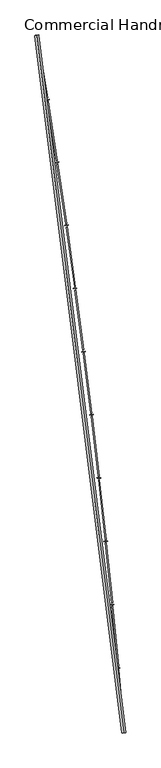
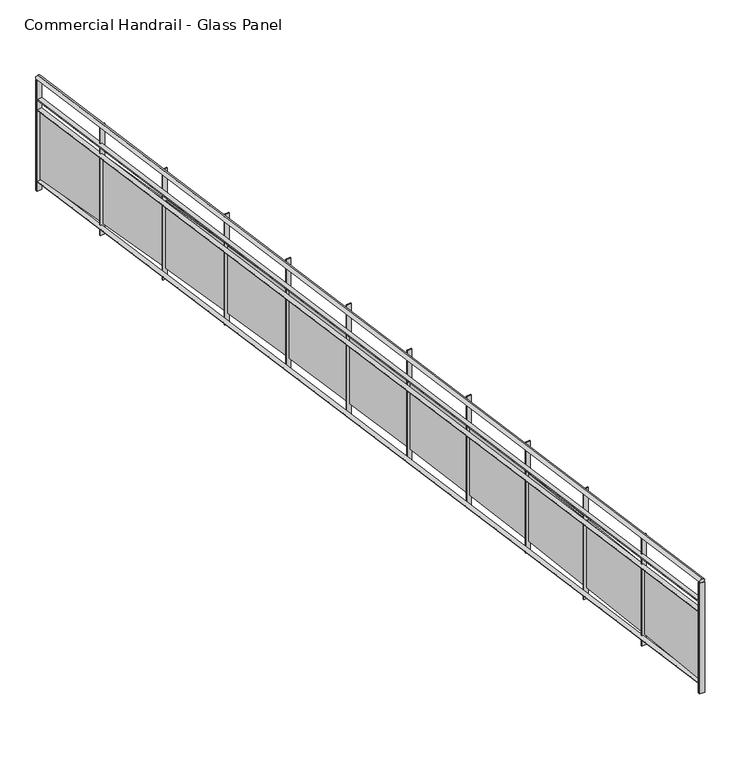
"""IFC4 building model written with IfcOpenShell, lengths in millimetres: railing geometry, Commercial Handrail - Glass Panel."""

import ifcopenshell
import ifcopenshell.guid

model = None  # the IFC model being written
_history = None  # IfcOwnerHistory: only IFC2X3 demands one
_inside = {}  # id of a spatial element -> (the spatial element, [elements in it])
_under = {}  # id of a project, library or spatial element -> (it, [spatial elements below it])
_declared = {}  # id of a project -> (the project, [libraries it declares])
_typed = {}  # id of a type object -> (the type object, [elements of that type])
_made_of = {}  # id of a material, layer set ... -> (it, [elements and type objects made of it])


def new_model(schema):
    """Start an empty IFC model of exactly this schema.

    Asked for "IFC4X3", IfcOpenShell would pick the latest addendum, in which some entities
    have other attributes; the version numbers below select the first issue.
    IFC2X3 requires an IfcOwnerHistory on every rooted entity: one is made here for all.
    """
    global model, _history
    if schema == "IFC4X3":
        model = ifcopenshell.file(schema_version=(4, 3, 0, 0))
    else:
        model = ifcopenshell.file(schema=schema)
    _inside.clear()
    _under.clear()
    _declared.clear()
    _typed.clear()
    _made_of.clear()
    _history = None
    if model.schema == "IFC2X3":
        org = make("IfcOrganization", Name="unknown")
        user = make(
            "IfcPersonAndOrganization",
            ThePerson=make("IfcPerson", FamilyName="unknown"),
            TheOrganization=org,
        )
        app = make(
            "IfcApplication",
            ApplicationDeveloper=org,
            Version="unknown",
            ApplicationFullName="unknown",
            ApplicationIdentifier="unknown",
        )
        _history = make(
            "IfcOwnerHistory",
            OwningUser=user,
            OwningApplication=app,
            ChangeAction="ADDED",
            CreationDate=0,
        )
    return model


def make(cls, **values):
    """One entity of the class cls with the attributes given. An attribute that is None is left unset."""
    return model.create_entity(
        cls, **{name: value for name, value in values.items() if value is not None}
    )


def rooted(cls, **values):
    """An entity with a GlobalId (a new one), such as an element, a storey or a relation."""
    return make(cls, GlobalId=ifcopenshell.guid.new(), OwnerHistory=_history, **values)


def si_unit(unit_type, name, prefix=None):
    """IfcSIUnit, for example si_unit("LENGTHUNIT", "METRE", prefix="MILLI")."""
    return make("IfcSIUnit", UnitType=unit_type, Prefix=prefix, Name=name)


def assignment(units):
    """IfcUnitAssignment: the units of a project."""
    return None if units is None else make("IfcUnitAssignment", Units=units)


def point(xyz):
    """IfcCartesianPoint."""
    return None if xyz is None else make("IfcCartesianPoint", Coordinates=xyz)


def direction(xyz):
    """IfcDirection."""
    return None if xyz is None else make("IfcDirection", DirectionRatios=xyz)


def frame(location, z_axis=None, x_axis=None):
    """IfcAxis2Placement3D, a coordinate frame: its origin and axes. An axis left out is left unset."""
    return make(
        "IfcAxis2Placement3D",
        Location=point(location),
        Axis=direction(z_axis),
        RefDirection=direction(x_axis),
    )


def origin():
    """The frame at (0, 0, 0) with its axes left unset."""
    return frame((0.0, 0.0, 0.0))


def place(relative_to, where):
    """IfcLocalPlacement: puts the frame where relative to a parent placement (None: the world)."""
    return make(
        "IfcLocalPlacement", PlacementRelTo=relative_to, RelativePlacement=where
    )


def context(
    kind, dimensions, precision=None, world=None, true_north=None, identifier=None
):
    """IfcGeometricRepresentationContext, for example the 3D "Model" context."""
    return make(
        "IfcGeometricRepresentationContext",
        ContextIdentifier=identifier,
        ContextType=kind,
        CoordinateSpaceDimension=dimensions,
        Precision=precision,
        WorldCoordinateSystem=world,
        TrueNorth=true_north,
    )


def project(units=None, contexts=None):
    """IfcProject with its units and contexts."""
    return rooted(
        "IfcProject",
        Name="project",
        RepresentationContexts=contexts,
        UnitsInContext=assignment(units),
    )


def spatial(cls, under=None, at=None, **own):
    """A site, building, storey or space (cls), placed at a placement, below another one or the project."""
    s = rooted(cls, ObjectPlacement=at, **own)
    if under is not None:
        _under.setdefault(under.id(), (under, []))[1].append(s)
    return s


def polyline(points):
    """IfcPolyline through the points."""
    return make("IfcPolyline", Points=[point(p) for p in points])


def circle_curve(where, radius):
    """IfcCircle in the frame where."""
    return make("IfcCircle", Position=where, Radius=radius)


def ellipse_curve(where, semi_axis1, semi_axis2):
    """IfcEllipse in the frame where."""
    return make(
        "IfcEllipse", Position=where, SemiAxis1=semi_axis1, SemiAxis2=semi_axis2
    )


def trimmed(basis, trim1, trim2, sense, master):
    """IfcTrimmedCurve: the piece of a basis curve between two trims."""
    return make(
        "IfcTrimmedCurve",
        BasisCurve=basis,
        Trim1=trim1,
        Trim2=trim2,
        SenseAgreement=sense,
        MasterRepresentation=master,
    )


def outline(outer, holes=None, kind="AREA"):
    """IfcArbitraryClosedProfileDef: a profile drawn as a closed curve; with holes, ...WithVoids."""
    if holes is None:
        return make("IfcArbitraryClosedProfileDef", ProfileType=kind, OuterCurve=outer)
    return make(
        "IfcArbitraryProfileDefWithVoids",
        ProfileType=kind,
        OuterCurve=outer,
        InnerCurves=holes,
    )


def extrude(swept, where, along, depth):
    """IfcExtrudedAreaSolid: the profile swept, set in the frame where, extruded along a direction by depth."""
    return make(
        "IfcExtrudedAreaSolid",
        SweptArea=swept,
        Position=where,
        ExtrudedDirection=direction(along),
        Depth=depth,
    )


def shape(context_of_items, identifier, shape_type, items):
    """IfcShapeRepresentation: the items that make up one representation, for example the "Body"."""
    return make(
        "IfcShapeRepresentation",
        ContextOfItems=context_of_items,
        RepresentationIdentifier=identifier,
        RepresentationType=shape_type,
        Items=items,
    )


def source(mapping_origin, context_of_items, identifier, shape_type, items):
    """IfcRepresentationMap: a shape defined once, which mapped items show again and again."""
    return make(
        "IfcRepresentationMap",
        MappingOrigin=mapping_origin,
        MappedRepresentation=shape(context_of_items, identifier, shape_type, items),
    )


def transform(
    local_origin,
    x_axis=None,
    y_axis=None,
    z_axis=None,
    scale=None,
    scale2=None,
    scale3=None,
    uniform=True,
):
    """IfcCartesianTransformationOperator3D, or its non-uniform kind. x_axis, y_axis, z_axis: its Axis1, 2, 3."""
    if uniform:
        return make(
            "IfcCartesianTransformationOperator3D",
            Axis1=direction(x_axis),
            Axis2=direction(y_axis),
            LocalOrigin=point(local_origin),
            Scale=scale,
            Axis3=direction(z_axis),
        )
    return make(
        "IfcCartesianTransformationOperator3DnonUniform",
        Axis1=direction(x_axis),
        Axis2=direction(y_axis),
        LocalOrigin=point(local_origin),
        Scale=scale,
        Axis3=direction(z_axis),
        Scale2=scale2,
        Scale3=scale3,
    )


def mapped(mapping_source, mapping_target):
    """IfcMappedItem: shows the shape of a source again, moved by a transform."""
    return make(
        "IfcMappedItem", MappingSource=mapping_source, MappingTarget=mapping_target
    )


def made_of(thing, what):
    """Note that an element or type object is made of a material, layer set ...; save() writes the relation."""
    if what is not None:
        _made_of.setdefault(what.id(), (what, []))[1].append(thing)
    return thing


def element(
    cls,
    number,
    at=None,
    inside=None,
    cuts=None,
    type_object=None,
    material=None,
    context=None,
    identifier="Body",
    shape_type=None,
    held_by="IfcProductDefinitionShape",
    body=None,
    shapes=None,
    **own,
):
    """One element of the class cls, such as IfcWall. Its Tag is "e" and its number.

    at: its placement. inside: the storey or other place that contains it. cuts: it is an
    opening in that element (IfcRelVoidsElement). A single representation is given by context,
    identifier, shape_type and body (its items); several are given by shapes. held_by: the class
    of the entity that holds the representations. save() writes the other relations.
    """
    e = rooted(cls, Tag="e%d" % number, ObjectPlacement=at, **own)
    if body is not None:
        shapes = [shape(context, identifier, shape_type, body)]
    if shapes is not None:
        e.Representation = make(held_by, Representations=shapes)
    if inside is not None:
        _inside.setdefault(inside.id(), (inside, []))[1].append(e)
    if cuts is not None:
        rooted(
            "IfcRelVoidsElement", RelatingBuildingElement=cuts, RelatedOpeningElement=e
        )
    if type_object is not None:
        _typed.setdefault(type_object.id(), (type_object, []))[1].append(e)
    return made_of(e, material)


def aggregate(whole, parts):
    """IfcRelAggregates: a whole, such as a stair, and the parts it consists of."""
    return rooted("IfcRelAggregates", RelatingObject=whole, RelatedObjects=parts)


def save(model, path):
    """Write the relations noted so far, then the file.

    IfcRelAggregates (storeys below a building ...), IfcRelContainedInSpatialStructure (elements
    in a storey), IfcRelDefinesByType, IfcRelAssociatesMaterial and IfcRelDeclares: one each for
    every whole, place, type object, material and project.
    """
    for whole, parts in _under.values():
        aggregate(whole, parts)
    for where, things in _inside.values():
        rooted(
            "IfcRelContainedInSpatialStructure",
            RelatedElements=things,
            RelatingStructure=where,
        )
    for kind, things in _typed.values():
        rooted("IfcRelDefinesByType", RelatedObjects=things, RelatingType=kind)
    for what, things in _made_of.values():
        rooted("IfcRelAssociatesMaterial", RelatedObjects=things, RelatingMaterial=what)
    for by, libraries in _declared.values():
        rooted("IfcRelDeclares", RelatingContext=by, RelatedDefinitions=libraries)
    model.write(path)


def plane_surface(at):
    """IfcPlane: the flat surface through the origin of the frame at, square to its z axis."""
    return make("IfcPlane", Position=at)


def cylinder_surface(at, radius):
    """IfcCylindricalSurface: all points at the distance radius from the z axis of the frame at."""
    return make("IfcCylindricalSurface", Position=at, Radius=radius)


def revolved_surface(curve, axis_point, axis_direction):
    """IfcSurfaceOfRevolution: the curve turned about the line through axis_point along axis_direction."""
    return make(
        "IfcSurfaceOfRevolution",
        SweptCurve=make("IfcArbitraryOpenProfileDef", ProfileType="CURVE", Curve=curve),
        AxisPosition=make("IfcAxis1Placement", Location=point(axis_point), Axis=direction(axis_direction)),
    )


def advanced_brep(points, edges, surfaces, faces):
    """IfcAdvancedBrep: a solid bounded by faces that lie on surfaces and meet in shared edges.

    An edge is (start, end): straight between two places in points (the first is 0);
    or (start, end, curve); or (start, end, curve, False) where it runs against its curve.
    A face is (place in surfaces, loops), or (place, loops, False) where it looks against
    its surface's normal. A loop lists edges by number (the first is 1), with a minus sign
    where the edge is run from its end to its start. The first loop is the outer one.
    """
    corners = [point(p) for p in points]
    vertices = [make("IfcVertexPoint", VertexGeometry=c) for c in corners]
    made = []
    for start, end, *more in edges:
        made.append(
            make(
                "IfcEdgeCurve",
                EdgeStart=vertices[start],
                EdgeEnd=vertices[end],
                EdgeGeometry=more[0] if more else make("IfcPolyline", Points=[corners[start], corners[end]]),
                SameSense=more[1] if len(more) > 1 else True,
            )
        )
    hull = []
    for where, loops, *sense in faces:
        bounds = []
        for j, loop in enumerate(loops):
            ring = [make("IfcOrientedEdge", EdgeElement=made[abs(k) - 1], Orientation=k > 0) for k in loop]
            bounds.append(
                make(
                    "IfcFaceOuterBound" if j == 0 else "IfcFaceBound",
                    Bound=make("IfcEdgeLoop", EdgeList=ring),
                    Orientation=True,
                )
            )
        hull.append(make("IfcAdvancedFace", Bounds=bounds, FaceSurface=surfaces[where], SameSense=sense[0] if sense else True))
    return make("IfcAdvancedBrep", Outer=make("IfcClosedShell", CfsFaces=hull))


def commercial_handrail_glass_panel_8181c5f0(model_context):
    return source(origin(), model_context, "Body", "SolidModel", [
        advanced_brep(
        [(155415.1518736, -49813.1101198, 19682.5), (156507.3198577, -58575.9102119, 19682.5), (156507.3198577, -58575.9102119, 19717.5), (155415.1518736, -49813.1101198, 19717.5)],
        [
            (0, 1, circle_curve(frame((49774.785812, -67429.2570352, 19682.5), z_axis=(0.0, 0.0, -1.0), x_axis=(0.9965773914870409, 0.08266500333808188, 0.0)), 107099.0923108)),
            (1, 2, ellipse_curve(frame((156507.3198577, -58575.9102119, 19700.0), z_axis=(-0.08266500333808835, 0.9965773914870406, 0.0), x_axis=(0.9965773914870404, 0.08266500333808834, 0.0)), 25.0, 17.5)),
            (2, 3, circle_curve(frame((49774.785812, -67429.2570352, 19717.5), z_axis=(0.0, 0.0, 1.0), x_axis=(0.9965773914870409, 0.08266500333808188, 0.0)), 107099.0923108)),
            (3, 0, ellipse_curve(frame((155415.1518736, -49813.1101198, 19700.0), z_axis=(0.16448455850891983, -0.9863796581500077, 0.0), x_axis=(0.9863796581500075, 0.1644845585089198, 0.0)), 25.0, 17.5)),
            (2, 1, ellipse_curve(frame((156507.3198577, -58575.9102119, 19700.0), z_axis=(-0.08266500333808835, 0.9965773914870406, 0.0), x_axis=(0.9965773914870404, 0.08266500333808834, 0.0)), 25.0, 17.5)),
            (0, 3, ellipse_curve(frame((155415.1518736, -49813.1101198, 19700.0), z_axis=(0.16448455850891983, -0.9863796581500077, 0.0), x_axis=(0.9863796581500075, 0.1644845585089198, 0.0)), 25.0, 17.5)),
        ],
        [
            revolved_surface(trimmed(ellipse_curve(frame((156507.3198577, -58575.9102119, 19700.0), z_axis=(0.08266500333808188, -0.9965773914870409, 0.0), x_axis=(0.0, 0.0, -1.0)), 17.5, 25.0), [point((156507.3198577, -58575.9102119, 19717.5))], [point((156507.3198577, -58575.9102119, 19682.5))], True, "CARTESIAN"), (49774.785812, -67429.2570352, 19700.0), (0.0, 0.0, 1.0)),
            revolved_surface(trimmed(ellipse_curve(frame((156507.3198577, -58575.9102119, 19700.0), z_axis=(0.08266500333808188, -0.9965773914870409, 0.0), x_axis=(0.0, 0.0, -1.0)), 17.5, 25.0), [point((156507.3198577, -58575.9102119, 19682.5))], [point((156507.3198577, -58575.9102119, 19717.5))], True, "CARTESIAN"), (49774.785812, -67429.2570352, 19700.0), (0.0, 0.0, 1.0)),
            plane_surface(frame((156507.3198577, -58575.9102119, 19700.0), z_axis=(0.08266500333808188, -0.9965773914870409, 0.0), x_axis=(0.9965773914870409, 0.08266500333808188, 0.0))),
            plane_surface(frame((155415.1518736, -49813.1101198, 19700.0), z_axis=(-0.16448455850891983, 0.9863796581500076, 0.0), x_axis=(0.9863796581500076, 0.16448455850891983, 0.0))),
        ],
        [
            (0, [[1, 2, 3, 4]]),
            (1, [[-3, 5, -1, 6]]),
            (2, [[-2, -5]]),
            (3, [[-6, -4]]),
        ],
    ),
        advanced_brep(
        [(155392.9583313, -49816.8110224, 19500.0), (156484.8968663, -58577.7701744, 19500.0), (156529.742849, -58574.0502493, 19500.0), (155437.3454159, -49809.4092172, 19500.0), (155392.9583313, -49816.8110224, 19494.0), (156484.8968663, -58577.7701744, 19494.0), (155437.3454159, -49809.4092172, 19494.0), (156529.742849, -58574.0502493, 19494.0)],
        [
            (0, 1, circle_curve(frame((49774.785812, -67429.2570352, 19500.0), z_axis=(0.0, 0.0, -1.0), x_axis=(0.9965773914870409, 0.08266500333808188, 0.0)), 107076.5923108)),
            (1, 2),
            (2, 3, circle_curve(frame((49774.785812, -67429.2570352, 19500.0), z_axis=(0.0, 0.0, 1.0), x_axis=(0.9965773914870409, 0.08266500333808188, 0.0)), 107121.5923108)),
            (3, 0),
            (4, 5, circle_curve(frame((49774.785812, -67429.2570352, 19494.0), z_axis=(0.0, 0.0, -1.0), x_axis=(0.9965773914870409, 0.08266500333808188, 0.0)), 107076.5923108)),
            (5, 1),
            (0, 4),
            (6, 7, circle_curve(frame((49774.785812, -67429.2570352, 19494.0), z_axis=(0.0, 0.0, -1.0), x_axis=(0.9965773914870409, 0.08266500333808188, 0.0)), 107121.5923108)),
            (7, 5),
            (4, 6),
            (2, 7),
            (6, 3),
        ],
        [
            plane_surface(frame((49774.785812, -67429.2570352, 19500.0), z_axis=(0.0, 0.0, 1.0), x_axis=(0.9965773914870409, 0.08266500333808188, 0.0))),
            revolved_surface(polyline([(156484.89686641842, -58577.77017439729, 19500.0), (156484.89686641842, -58577.77017439729, 19494.0)]), (49774.785812, -67429.2570352, 19500.0), (0.0, 0.0, 1.0)),
            plane_surface(frame((49774.785812, -67429.2570352, 19494.0), z_axis=(0.0, 0.0, -1.0), x_axis=(0.9965773914870409, 0.08266500333808188, 0.0))),
            cylinder_surface(frame((49774.785812, -67429.2570352, 19500.0), z_axis=(0.0, 0.0, 1.0), x_axis=(0.9965773914870409, 0.08266500333808188, 0.0)), 107121.5923108),
            plane_surface(frame((156507.3198577, -58575.9102119, 19500.0), z_axis=(0.08266500333808188, -0.9965773914870409, 0.0), x_axis=(0.9965773914870409, 0.08266500333808188, 0.0))),
            plane_surface(frame((155415.1518736, -49813.1101198, 19500.0), z_axis=(-0.16448455850891983, 0.9863796581500076, 0.0), x_axis=(0.9863796581500076, 0.16448455850891983, 0.0))),
        ],
        [
            (0, [[1, 2, 3, 4]]),
            (1, [[5, 6, -1, 7]]),
            (2, [[8, 9, -5, 10]]),
            (3, [[-3, 11, -8, 12]]),
            (4, [[-2, -6, -9, -11]]),
            (5, [[-12, -10, -7, -4]]),
        ],
    ),
        advanced_brep(
        [(155392.9583313, -49816.8110224, 19400.0), (156484.8968663, -58577.7701744, 19400.0), (156529.742849, -58574.0502493, 19400.0), (155437.3454159, -49809.4092172, 19400.0), (155392.9583313, -49816.8110224, 19394.0), (156484.8968663, -58577.7701744, 19394.0), (155437.3454159, -49809.4092172, 19394.0), (156529.742849, -58574.0502493, 19394.0)],
        [
            (0, 1, circle_curve(frame((49774.785812, -67429.2570352, 19400.0), z_axis=(0.0, 0.0, -1.0), x_axis=(0.9965773914870409, 0.08266500333808188, 0.0)), 107076.5923108)),
            (1, 2),
            (2, 3, circle_curve(frame((49774.785812, -67429.2570352, 19400.0), z_axis=(0.0, 0.0, 1.0), x_axis=(0.9965773914870409, 0.08266500333808188, 0.0)), 107121.5923108)),
            (3, 0),
            (4, 5, circle_curve(frame((49774.785812, -67429.2570352, 19394.0), z_axis=(0.0, 0.0, -1.0), x_axis=(0.9965773914870409, 0.08266500333808188, 0.0)), 107076.5923108)),
            (5, 1),
            (0, 4),
            (6, 7, circle_curve(frame((49774.785812, -67429.2570352, 19394.0), z_axis=(0.0, 0.0, -1.0), x_axis=(0.9965773914870409, 0.08266500333808188, 0.0)), 107121.5923108)),
            (7, 5),
            (4, 6),
            (2, 7),
            (6, 3),
        ],
        [
            plane_surface(frame((49774.785812, -67429.2570352, 19400.0), z_axis=(0.0, 0.0, 1.0), x_axis=(0.9965773914870409, 0.08266500333808188, 0.0))),
            revolved_surface(polyline([(156484.89686641842, -58577.77017439729, 19400.0), (156484.89686641842, -58577.77017439729, 19394.0)]), (49774.785812, -67429.2570352, 19400.0), (0.0, 0.0, 1.0)),
            plane_surface(frame((49774.785812, -67429.2570352, 19394.0), z_axis=(0.0, 0.0, -1.0), x_axis=(0.9965773914870409, 0.08266500333808188, 0.0))),
            cylinder_surface(frame((49774.785812, -67429.2570352, 19400.0), z_axis=(0.0, 0.0, 1.0), x_axis=(0.9965773914870409, 0.08266500333808188, 0.0)), 107121.5923108),
            plane_surface(frame((156507.3198577, -58575.9102119, 19400.0), z_axis=(0.08266500333808188, -0.9965773914870409, 0.0), x_axis=(0.9965773914870409, 0.08266500333808188, 0.0))),
            plane_surface(frame((155415.1518736, -49813.1101198, 19400.0), z_axis=(-0.16448455850891983, 0.9863796581500076, 0.0), x_axis=(0.9863796581500076, 0.16448455850891983, 0.0))),
        ],
        [
            (0, [[1, 2, 3, 4]]),
            (1, [[5, 6, -1, 7]]),
            (2, [[8, 9, -5, 10]]),
            (3, [[-3, 11, -8, 12]]),
            (4, [[-2, -6, -9, -11]]),
            (5, [[-12, -10, -7, -4]]),
        ],
    ),
        advanced_brep(
        [(155392.9583313, -49816.8110224, 18700.0), (156484.8968663, -58577.7701744, 18700.0), (156529.742849, -58574.0502493, 18700.0), (155437.3454159, -49809.4092172, 18700.0), (155392.9583313, -49816.8110224, 18694.0), (156484.8968663, -58577.7701744, 18694.0), (155437.3454159, -49809.4092172, 18694.0), (156529.742849, -58574.0502493, 18694.0)],
        [
            (0, 1, circle_curve(frame((49774.785812, -67429.2570352, 18700.0), z_axis=(0.0, 0.0, -1.0), x_axis=(0.9965773914870409, 0.08266500333808188, 0.0)), 107076.5923108)),
            (1, 2),
            (2, 3, circle_curve(frame((49774.785812, -67429.2570352, 18700.0), z_axis=(0.0, 0.0, 1.0), x_axis=(0.9965773914870409, 0.08266500333808188, 0.0)), 107121.5923108)),
            (3, 0),
            (4, 5, circle_curve(frame((49774.785812, -67429.2570352, 18694.0), z_axis=(0.0, 0.0, -1.0), x_axis=(0.9965773914870409, 0.08266500333808188, 0.0)), 107076.5923108)),
            (5, 1),
            (0, 4),
            (6, 7, circle_curve(frame((49774.785812, -67429.2570352, 18694.0), z_axis=(0.0, 0.0, -1.0), x_axis=(0.9965773914870409, 0.08266500333808188, 0.0)), 107121.5923108)),
            (7, 5),
            (4, 6),
            (2, 7),
            (6, 3),
        ],
        [
            plane_surface(frame((49774.785812, -67429.2570352, 18700.0), z_axis=(0.0, 0.0, 1.0), x_axis=(0.9965773914870409, 0.08266500333808188, 0.0))),
            revolved_surface(polyline([(156484.89686641842, -58577.77017439729, 18700.0), (156484.89686641842, -58577.77017439729, 18694.0)]), (49774.785812, -67429.2570352, 18700.0), (0.0, 0.0, 1.0)),
            plane_surface(frame((49774.785812, -67429.2570352, 18694.0), z_axis=(0.0, 0.0, -1.0), x_axis=(0.9965773914870409, 0.08266500333808188, 0.0))),
            cylinder_surface(frame((49774.785812, -67429.2570352, 18700.0), z_axis=(0.0, 0.0, 1.0), x_axis=(0.9965773914870409, 0.08266500333808188, 0.0)), 107121.5923108),
            plane_surface(frame((156507.3198577, -58575.9102119, 18700.0), z_axis=(0.08266500333808188, -0.9965773914870409, 0.0), x_axis=(0.9965773914870409, 0.08266500333808188, 0.0))),
            plane_surface(frame((155415.1518736, -49813.1101198, 18700.0), z_axis=(-0.16448455850891983, 0.9863796581500076, 0.0), x_axis=(0.9863796581500076, 0.16448455850891983, 0.0))),
        ],
        [
            (0, [[1, 2, 3, 4]]),
            (1, [[5, 6, -1, 7]]),
            (2, [[8, 9, -5, 10]]),
            (3, [[-3, 11, -8, 12]]),
            (4, [[-2, -6, -9, -11]]),
            (5, [[-12, -10, -7, -4]]),
        ],
    ),
        extrude(outline(polyline([(155440.5602167, -49828.6983042), (155396.1719887, -49836.0932495), (155395.185996, -49830.1748191), (155439.574224, -49822.7798738), (155440.5602167, -49828.6983042)])), frame((0.0, 0.0, 18600.0), z_axis=(0.0, 0.0, 1.0), x_axis=(1.0, 0.0, 0.0)), (0.0, 0.0, 1.0), 1082.1192282),
        extrude(outline(polyline([(155537.9927324, -50600.148842), (155415.9010924, -49850.0197655), (155427.7452357, -49848.0920027), (155549.8368757, -50598.2210792), (155537.9927324, -50600.148842)])), frame((0.0, 0.0, 18720.0), z_axis=(0.0, 0.0, 1.0), x_axis=(1.0, 0.0, 0.0)), (0.0, 0.0, 1.0), 660.0),
        extrude(outline(polyline([(155569.0823153, -50618.4755081), (155524.640088, -50625.5386825), (155523.6983314, -50619.6130522), (155568.1405587, -50612.5498778), (155569.0823153, -50618.4755081)])), frame((0.0, 0.0, 18600.0), z_axis=(0.0, 0.0, 1.0), x_axis=(1.0, 0.0, 0.0)), (0.0, 0.0, 1.0), 1082.1192282),
        extrude(outline(polyline([(155660.7496486, -51390.6323103), (155544.2646152, -50639.6121795), (155556.1228277, -50637.7729421), (155672.6078612, -51388.793073), (155660.7496486, -51390.6323103)])), frame((0.0, 0.0, 18720.0), z_axis=(0.0, 0.0, 1.0), x_axis=(1.0, 0.0, 0.0)), (0.0, 0.0, 1.0), 660.0),
        extrude(outline(polyline([(155691.7014704, -51409.1906934), (155647.2077235, -51415.921703), (155646.3102556, -51409.9892034), (155690.8040025, -51403.2581938), (155691.7014704, -51409.1906934)])), frame((0.0, 0.0, 18600.0), z_axis=(0.0, 0.0, 1.0), x_axis=(1.0, 0.0, 0.0)), (0.0, 0.0, 1.0), 1082.1192282),
        extrude(outline(polyline([(155777.5985065, -52182.0106766), (155666.7265791, -51430.1413956), (155678.5981993, -51428.3907863), (155789.4701268, -52180.2600673), (155777.5985065, -52182.0106766)])), frame((0.0, 0.0, 18720.0), z_axis=(0.0, 0.0, 1.0), x_axis=(1.0, 0.0, 0.0)), (0.0, 0.0, 1.0), 660.0),
        extrude(outline(polyline([(155808.4108402, -52200.7997412), (155763.8680564, -52207.1982104), (155763.0149272, -52201.2591725), (155807.557711, -52194.8607033), (155808.4108402, -52200.7997412)])), frame((0.0, 0.0, 18600.0), z_axis=(0.0, 0.0, 1.0), x_axis=(1.0, 0.0, 0.0)), (0.0, 0.0, 1.0), 1082.1192282),
        extrude(outline(polyline([(155888.5327865, -52974.2397848), (155783.2801513, -52221.5633053), (155795.1645168, -52219.9014216), (155900.4171519, -52972.5779011), (155888.5327865, -52974.2397848)])), frame((0.0, 0.0, 18720.0), z_axis=(0.0, 0.0, 1.0), x_axis=(1.0, 0.0, 0.0)), (0.0, 0.0, 1.0), 660.0),
        extrude(outline(polyline([(155919.2039129, -52993.2584824), (155874.6145774, -52999.3240542), (155873.8058345, -52993.3788094), (155918.39517, -52987.3132377), (155919.2039129, -52993.2584824)])), frame((0.0, 0.0, 18600.0), z_axis=(0.0, 0.0, 1.0), x_axis=(1.0, 0.0, 0.0)), (0.0, 0.0, 1.0), 1082.1192282),
        extrude(outline(polyline([(155993.5462987, -53767.2754312), (155893.9188285, -53013.8337498), (155905.8152761, -53012.2606845), (156005.4427463, -53765.7023659), (155993.5462987, -53767.2754312)])), frame((0.0, 0.0, 18720.0), z_axis=(0.0, 0.0, 1.0), x_axis=(1.0, 0.0, 0.0)), (0.0, 0.0, 1.0), 660.0),
        extrude(outline(polyline([(156024.0745064, -53786.5227008), (155979.4411072, -53792.2550367), (155978.6767957, -53786.3039168), (156023.3101949, -53780.5715809), (156024.0745064, -53786.5227008)])), frame((0.0, 0.0, 18600.0), z_axis=(0.0, 0.0, 1.0), x_axis=(1.0, 0.0, 0.0)), (0.0, 0.0, 1.0), 1082.1192282),
        extrude(outline(polyline([(156092.6331838, -54561.0733673), (155998.6364375, -53806.9085235), (156010.5443034, -53805.4243644), (156104.5410497, -54559.5892082), (156092.6331838, -54561.0733673)])), frame((0.0, 0.0, 18720.0), z_axis=(0.0, 0.0, 1.0), x_axis=(1.0, 0.0, 0.0)), (0.0, 0.0, 1.0), 660.0),
        extrude(outline(polyline([(156123.0167695, -54580.548135), (156078.3417969, -54585.9469151), (156077.6219596, -54579.9902521), (156122.2969321, -54574.591472), (156123.0167695, -54580.548135)])), frame((0.0, 0.0, 18600.0), z_axis=(0.0, 0.0, 1.0), x_axis=(1.0, 0.0, 0.0)), (0.0, 0.0, 1.0), 1082.1192282),
        extrude(outline(polyline([(156185.787913, -55355.5893021), (156097.4271353, -54600.7433755), (156109.3457552, -54599.3482053), (156197.7065329, -55354.194132), (156185.787913, -55355.5893021)])), frame((0.0, 0.0, 18720.0), z_axis=(0.0, 0.0, 1.0), x_axis=(1.0, 0.0, 0.0)), (0.0, 0.0, 1.0), 660.0),
        extrude(outline(polyline([(156216.0251814, -55375.2904812), (156171.3111282, -55380.3554043), (156170.6358051, -55374.3935306), (156215.3498583, -55369.3286074), (156216.0251814, -55375.2904812)])), frame((0.0, 0.0, 18600.0), z_axis=(0.0, 0.0, 1.0), x_axis=(1.0, 0.0, 0.0)), (0.0, 0.0, 1.0), 1082.1192282),
        extrude(outline(polyline([(156273.0052888, -56150.7789044), (156190.2854098, -55395.2940127), (156202.2141186, -55393.9879094), (156284.9339976, -56149.4728011), (156273.0052888, -56150.7789044)])), frame((0.0, 0.0, 18720.0), z_axis=(0.0, 0.0, 1.0), x_axis=(1.0, 0.0, 0.0)), (0.0, 0.0, 1.0), 660.0),
        extrude(outline(polyline([(156303.0945527, -56170.7053956), (156258.3439138, -56175.4361792), (156257.7131426, -56169.4694274), (156302.4637816, -56164.7386437), (156303.0945527, -56170.7053956)])), frame((0.0, 0.0, 18600.0), z_axis=(0.0, 0.0, 1.0), x_axis=(1.0, 0.0, 0.0)), (0.0, 0.0, 1.0), 1082.1192282),
        extrude(outline(polyline([(156354.2804446, -56946.5978055), (156277.2060799, -56190.5161021), (156289.144212, -56189.2991384), (156366.2185768, -56945.3808418), (156354.2804446, -56946.5978055)])), frame((0.0, 0.0, 18720.0), z_axis=(0.0, 0.0, 1.0), x_axis=(1.0, 0.0, 0.0)), (0.0, 0.0, 1.0), 660.0),
        extrude(outline(polyline([(156384.2200253, -56966.748497), (156339.4352975, -56971.1448771), (156338.8491135, -56965.17358), (156383.6338412, -56960.7771999), (156384.2200253, -56966.748497)])), frame((0.0, 0.0, 18600.0), z_axis=(0.0, 0.0, 1.0), x_axis=(1.0, 0.0, 0.0)), (0.0, 0.0, 1.0), 1082.1192282),
        extrude(outline(polyline([(156429.6088457, -57743.0016015), (156358.1842956, -56986.3652729), (156370.131185, -56985.2375169), (156441.5557351, -57741.8738454), (156429.6088457, -57743.0016015)])), frame((0.0, 0.0, 18720.0), z_axis=(0.0, 0.0, 1.0), x_axis=(1.0, 0.0, 0.0)), (0.0, 0.0, 1.0), 660.0),
        extrude(outline(polyline([(156459.3970725, -57763.3753689), (156414.5807547, -57767.4371002), (156414.0391905, -57761.4615912), (156458.8555083, -57757.3998599), (156459.3970725, -57763.3753689)])), frame((0.0, 0.0, 18600.0), z_axis=(0.0, 0.0, 1.0), x_axis=(1.0, 0.0, 0.0)), (0.0, 0.0, 1.0), 1082.1192282),
        extrude(outline(polyline([(156498.9862889, -58539.9458559), (156433.2155387, -57782.7971199), (156445.1705188, -57781.7586343), (156510.9412689, -58538.9073703), (156498.9862889, -58539.9458559)])), frame((0.0, 0.0, 18720.0), z_axis=(0.0, 0.0, 1.0), x_axis=(1.0, 0.0, 0.0)), (0.0, 0.0, 1.0), 660.0),
        extrude(outline(polyline([(156528.6214998, -58560.5415625), (156483.7760926, -58564.2684183), (156483.2791785, -58558.2890307), (156528.1245856, -58554.5621749), (156528.6214998, -58560.5415625)])), frame((0.0, 0.0, 18600.0), z_axis=(0.0, 0.0, 1.0), x_axis=(1.0, 0.0, 0.0)), (0.0, 0.0, 1.0), 1082.1192282),
        extrude(outline(polyline([(155437.8388696, -49812.3683562), (155393.451785, -49819.7701613), (155392.4648776, -49813.8518834), (155436.8519623, -49806.4500783), (155437.8388696, -49812.3683562)])), frame((0.0, 0.0, 18600.0), z_axis=(0.0, 0.0, 1.0), x_axis=(1.0, 0.0, 0.0)), (0.0, 0.0, 1.0), 1082.1192282),
        extrude(outline(polyline([(156529.990844, -58577.0399815), (156485.1448614, -58580.7599066), (156484.6488713, -58574.7804423), (156529.494854, -58571.0605171), (156529.990844, -58577.0399815)])), frame((0.0, 0.0, 18600.0), z_axis=(0.0, 0.0, 1.0), x_axis=(1.0, 0.0, 0.0)), (0.0, 0.0, 1.0), 1082.1192282),
    ])


if __name__ == "__main__":
    model = new_model("IFC4")
    model_context = context("Model", 3, world=origin())
    ifc_project = project(units=[si_unit("LENGTHUNIT", "METRE", prefix="MILLI")], contexts=[model_context])
    site = spatial("IfcSite", under=ifc_project)
    building = spatial("IfcBuilding", under=site)
    placement = place(None, origin())
    commercial_handrail_glass_panel_shape = commercial_handrail_glass_panel_8181c5f0(model_context)
    element("IfcRailing", 1, ObjectType="Commercial Handrail - Glass Panel", at=placement, inside=building, context=model_context, shape_type="MappedRepresentation", body=[
        mapped(commercial_handrail_glass_panel_shape, transform((0.0, 0.0, 0.0), x_axis=(1.0, 0.0, 0.0), y_axis=(0.0, 1.0, 0.0), z_axis=(0.0, 0.0, 1.0))),
    ])
    save(model, "model.ifc")
